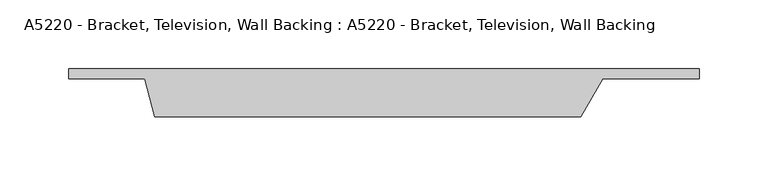
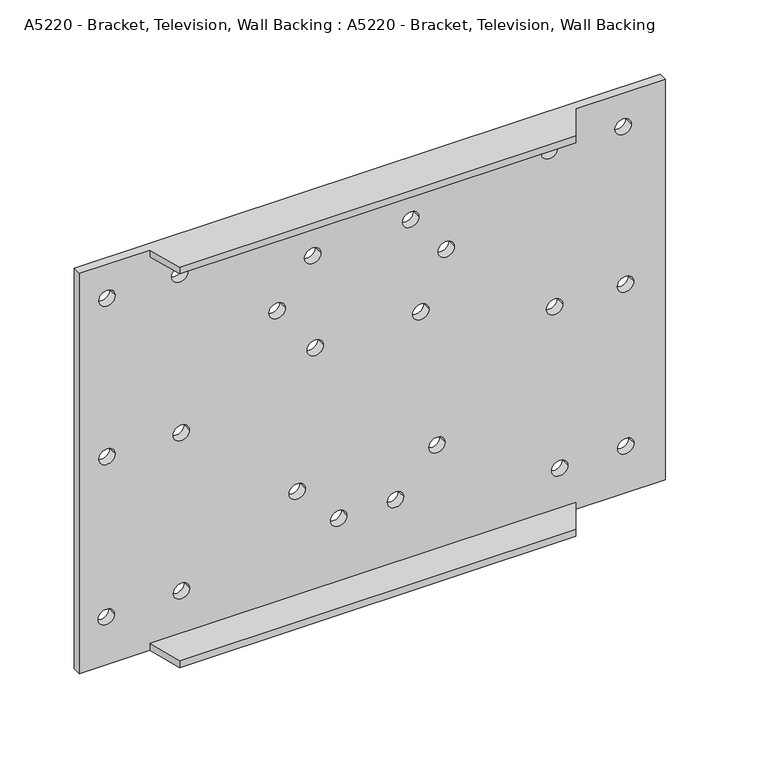
"""IFC4 building model written with IfcOpenShell, lengths in millimetres: proxy geometry, A5220 - Bracket, Television, Wall Backing : A5220 - Bracket, Television, Wall Backing."""

from ifc_helpers import new_model, si_unit, frame, origin, place, context, project, spatial, polyline, circle_curve, source, transform, mapped, element, save
from ifc_brep_helpers import plane_surface, revolved_surface, advanced_brep


def a5220_bracket_television_wall_backing_a5220_bracket_9e32a365(model_context):
    return source(origin(), model_context, "Body", "AdvancedBrep", [
        advanced_brep(
        [(228.6, 12.7, 330.2), (-228.6, 12.7, 330.2), (-228.6, 5.5485585, 330.2), (-173.6756868, 5.5485585, 330.2), (-166.3080736, -21.9477481, 330.2), (142.875, -21.9477481, 330.2), (158.75, 5.5485585, 330.2), (228.6, 5.5485585, 330.2), (-228.6, 12.7, 0.0), (228.6, 12.7, 0.0), (228.6, 5.5485585, 0.0), (158.75, 5.5485585, 0.0), (142.875, -21.9477481, 0.0), (-166.3080736, -21.9477481, 0.0), (-173.6756868, 5.5485585, 0.0), (-228.6, 5.5485585, 0.0), (-213.3355963, 12.7, 302.1911266), (-200.6355963, 12.7, 302.1911266), (-156.5770582, 12.7, 302.0248022), (-143.8770582, 12.7, 302.0248022), (-213.3355963, 12.7, 171.5144924), (-200.6355963, 12.7, 171.5144924), (-155.3549178, 12.7, 170.8545094), (-142.6549178, 12.7, 170.8545094), (-213.9955793, 12.7, 39.5178922), (-201.2955793, 12.7, 39.5178922), (-155.2570922, 12.7, 40.4220341), (-142.5570922, 12.7, 40.4220341), (-80.679013, 12.7, 245.4325885), (-67.979013, 12.7, 245.4325885), (-52.959727, 12.7, 281.0716706), (-40.259727, 12.7, 281.0716706), (-50.979778, 12.7, 204.5136425), (-38.279778, 12.7, 204.5136425), (23.5983011, 12.7, 284.1073683), (36.2983011, 12.7, 284.1073683), (51.3175872, 12.7, 249.9264032), (64.0175872, 12.7, 249.9264032), (31.5180972, 12.7, 205.1736255), (44.2180972, 12.7, 205.1736255), (44.0577742, 12.7, 90.9965663), (56.7577742, 12.7, 90.9965663), (11.7186071, 12.7, 57.3374332), (24.4186071, 12.7, 57.3374332), (-32.500254, 12.7, 57.3374332), (-19.800254, 12.7, 57.3374332), (-64.999744, 12.7, 90.8545562), (-52.299744, 12.7, 90.8545562), (139.7553093, 12.7, 38.4729292), (152.4553093, 12.7, 38.4729292), (191.3943064, 12.7, 38.5706497), (204.0943064, 12.7, 38.5706497), (191.1444764, 12.7, 172.1744754), (203.8444764, 12.7, 172.1744754), (135.7954113, 12.7, 172.8344584), (148.4954113, 12.7, 172.8344584), (189.2540344, 12.7, 302.606619), (201.9540344, 12.7, 302.606619), (131.8355133, 12.7, 302.8511096), (144.5355133, 12.7, 302.8511096), (-173.6756868, 5.5485585, 5.7859487), (158.75, 5.5485585, 5.7859487), (158.75, 5.5485585, 324.6987888), (-173.6756868, 5.5485585, 324.6987888), (-200.6355963, 5.5485585, 302.1911266), (-213.3355963, 5.5485585, 302.1911266), (-143.8770582, 5.5485585, 302.0248022), (-156.5770582, 5.5485585, 302.0248022), (-200.6355963, 5.5485585, 171.5144924), (-213.3355963, 5.5485585, 171.5144924), (-142.6549178, 5.5485585, 170.8545094), (-155.3549178, 5.5485585, 170.8545094), (-201.2955793, 5.5485585, 39.5178922), (-213.9955793, 5.5485585, 39.5178922), (-142.5570922, 5.5485585, 40.4220341), (-155.2570922, 5.5485585, 40.4220341), (-67.979013, 5.5485585, 245.4325885), (-80.679013, 5.5485585, 245.4325885), (-40.259727, 5.5485585, 281.0716706), (-52.959727, 5.5485585, 281.0716706), (-38.279778, 5.5485585, 204.5136425), (-50.979778, 5.5485585, 204.5136425), (36.2983011, 5.5485585, 284.1073683), (23.5983011, 5.5485585, 284.1073683), (64.0175872, 5.5485585, 249.9264032), (51.3175872, 5.5485585, 249.9264032), (44.2180972, 5.5485585, 205.1736255), (31.5180972, 5.5485585, 205.1736255), (56.7577742, 5.5485585, 90.9965663), (44.0577742, 5.5485585, 90.9965663), (24.4186071, 5.5485585, 57.3374332), (11.7186071, 5.5485585, 57.3374332), (-19.800254, 5.5485585, 57.3374332), (-32.500254, 5.5485585, 57.3374332), (-52.299744, 5.5485585, 90.8545562), (-64.999744, 5.5485585, 90.8545562), (152.4553093, 5.5485585, 38.4729292), (139.7553093, 5.5485585, 38.4729292), (204.0943064, 5.5485585, 38.5706497), (191.3943064, 5.5485585, 38.5706497), (203.8444764, 5.5485585, 172.1744754), (191.1444764, 5.5485585, 172.1744754), (148.4954113, 5.5485585, 172.8344584), (135.7954113, 5.5485585, 172.8344584), (201.9540344, 5.5485585, 302.606619), (189.2540344, 5.5485585, 302.606619), (144.5355133, 5.5485585, 302.8511096), (131.8355133, 5.5485585, 302.8511096), (142.875, -21.9477481, 324.6987888), (-166.3080736, -21.9477481, 324.6987888), (142.875, -21.9477481, 5.7859487), (-166.3080736, -21.9477481, 5.7859487)],
        [
            (0, 1),
            (1, 2),
            (2, 3),
            (3, 4),
            (4, 5),
            (5, 6),
            (6, 7),
            (7, 0),
            (8, 9),
            (9, 10),
            (10, 11),
            (11, 12),
            (12, 13),
            (13, 14),
            (14, 15),
            (15, 8),
            (1, 8),
            (15, 2),
            (9, 0),
            (7, 10),
            (16, 17, circle_curve(frame((-206.9855963, 12.7, 302.1911266), z_axis=(0.0, -1.0, 0.0), x_axis=(1.0, 0.0, 0.0)), 6.35)),
            (17, 16, circle_curve(frame((-206.9855963, 12.7, 302.1911266), z_axis=(0.0, -1.0, 0.0), x_axis=(1.0, 0.0, 0.0)), 6.35)),
            (18, 19, circle_curve(frame((-150.2270582, 12.7, 302.0248022), z_axis=(0.0, -1.0, 0.0), x_axis=(1.0, 0.0, 0.0)), 6.35)),
            (19, 18, circle_curve(frame((-150.2270582, 12.7, 302.0248022), z_axis=(0.0, -1.0, 0.0), x_axis=(1.0, 0.0, 0.0)), 6.35)),
            (20, 21, circle_curve(frame((-206.9855963, 12.7, 171.5144924), z_axis=(0.0, -1.0, 0.0), x_axis=(1.0, 0.0, 0.0)), 6.35)),
            (21, 20, circle_curve(frame((-206.9855963, 12.7, 171.5144924), z_axis=(0.0, -1.0, 0.0), x_axis=(1.0, 0.0, 0.0)), 6.35)),
            (22, 23, circle_curve(frame((-149.0049178, 12.7, 170.8545094), z_axis=(0.0, -1.0, 0.0), x_axis=(1.0, 0.0, 0.0)), 6.35)),
            (23, 22, circle_curve(frame((-149.0049178, 12.7, 170.8545094), z_axis=(0.0, -1.0, 0.0), x_axis=(1.0, 0.0, 0.0)), 6.35)),
            (24, 25, circle_curve(frame((-207.6455793, 12.7, 39.5178922), z_axis=(0.0, -1.0, 0.0), x_axis=(1.0, 0.0, 0.0)), 6.35)),
            (25, 24, circle_curve(frame((-207.6455793, 12.7, 39.5178922), z_axis=(0.0, -1.0, 0.0), x_axis=(1.0, 0.0, 0.0)), 6.35)),
            (26, 27, circle_curve(frame((-148.9070922, 12.7, 40.4220341), z_axis=(0.0, -1.0, 0.0), x_axis=(1.0, 0.0, 0.0)), 6.35)),
            (27, 26, circle_curve(frame((-148.9070922, 12.7, 40.4220341), z_axis=(0.0, -1.0, 0.0), x_axis=(1.0, 0.0, 0.0)), 6.35)),
            (28, 29, circle_curve(frame((-74.329013, 12.7, 245.4325885), z_axis=(0.0, -1.0, 0.0), x_axis=(1.0, 0.0, 0.0)), 6.35)),
            (29, 28, circle_curve(frame((-74.329013, 12.7, 245.4325885), z_axis=(0.0, -1.0, 0.0), x_axis=(1.0, 0.0, 0.0)), 6.35)),
            (30, 31, circle_curve(frame((-46.609727, 12.7, 281.0716706), z_axis=(0.0, -1.0, 0.0), x_axis=(1.0, 0.0, 0.0)), 6.35)),
            (31, 30, circle_curve(frame((-46.609727, 12.7, 281.0716706), z_axis=(0.0, -1.0, 0.0), x_axis=(1.0, 0.0, 0.0)), 6.35)),
            (32, 33, circle_curve(frame((-44.629778, 12.7, 204.5136425), z_axis=(0.0, -1.0, 0.0), x_axis=(1.0, 0.0, 0.0)), 6.35)),
            (33, 32, circle_curve(frame((-44.629778, 12.7, 204.5136425), z_axis=(0.0, -1.0, 0.0), x_axis=(1.0, 0.0, 0.0)), 6.35)),
            (34, 35, circle_curve(frame((29.9483011, 12.7, 284.1073683), z_axis=(0.0, -1.0, 0.0), x_axis=(1.0, 0.0, 0.0)), 6.35)),
            (35, 34, circle_curve(frame((29.9483011, 12.7, 284.1073683), z_axis=(0.0, -1.0, 0.0), x_axis=(1.0, 0.0, 0.0)), 6.35)),
            (36, 37, circle_curve(frame((57.6675872, 12.7, 249.9264032), z_axis=(0.0, -1.0, 0.0), x_axis=(1.0, 0.0, 0.0)), 6.35)),
            (37, 36, circle_curve(frame((57.6675872, 12.7, 249.9264032), z_axis=(0.0, -1.0, 0.0), x_axis=(1.0, 0.0, 0.0)), 6.35)),
            (38, 39, circle_curve(frame((37.8680972, 12.7, 205.1736255), z_axis=(0.0, -1.0, 0.0), x_axis=(1.0, 0.0, 0.0)), 6.35)),
            (39, 38, circle_curve(frame((37.8680972, 12.7, 205.1736255), z_axis=(0.0, -1.0, 0.0), x_axis=(1.0, 0.0, 0.0)), 6.35)),
            (40, 41, circle_curve(frame((50.4077742, 12.7, 90.9965663), z_axis=(0.0, -1.0, 0.0), x_axis=(1.0, 0.0, 0.0)), 6.35)),
            (41, 40, circle_curve(frame((50.4077742, 12.7, 90.9965663), z_axis=(0.0, -1.0, 0.0), x_axis=(1.0, 0.0, 0.0)), 6.35)),
            (42, 43, circle_curve(frame((18.0686071, 12.7, 57.3374332), z_axis=(0.0, -1.0, 0.0), x_axis=(1.0, 0.0, 0.0)), 6.35)),
            (43, 42, circle_curve(frame((18.0686071, 12.7, 57.3374332), z_axis=(0.0, -1.0, 0.0), x_axis=(1.0, 0.0, 0.0)), 6.35)),
            (44, 45, circle_curve(frame((-26.150254, 12.7, 57.3374332), z_axis=(0.0, -1.0, 0.0), x_axis=(1.0, 0.0, 0.0)), 6.35)),
            (45, 44, circle_curve(frame((-26.150254, 12.7, 57.3374332), z_axis=(0.0, -1.0, 0.0), x_axis=(1.0, 0.0, 0.0)), 6.35)),
            (46, 47, circle_curve(frame((-58.649744, 12.7, 90.8545562), z_axis=(0.0, -1.0, 0.0), x_axis=(1.0, 0.0, 0.0)), 6.35)),
            (47, 46, circle_curve(frame((-58.649744, 12.7, 90.8545562), z_axis=(0.0, -1.0, 0.0), x_axis=(1.0, 0.0, 0.0)), 6.35)),
            (48, 49, circle_curve(frame((146.1053093, 12.7, 38.4729292), z_axis=(0.0, -1.0, 0.0), x_axis=(1.0, 0.0, 0.0)), 6.35)),
            (49, 48, circle_curve(frame((146.1053093, 12.7, 38.4729292), z_axis=(0.0, -1.0, 0.0), x_axis=(1.0, 0.0, 0.0)), 6.35)),
            (50, 51, circle_curve(frame((197.7443064, 12.7, 38.5706497), z_axis=(0.0, -1.0, 0.0), x_axis=(1.0, 0.0, 0.0)), 6.35)),
            (51, 50, circle_curve(frame((197.7443064, 12.7, 38.5706497), z_axis=(0.0, -1.0, 0.0), x_axis=(1.0, 0.0, 0.0)), 6.35)),
            (52, 53, circle_curve(frame((197.4944764, 12.7, 172.1744754), z_axis=(0.0, -1.0, 0.0), x_axis=(1.0, 0.0, 0.0)), 6.35)),
            (53, 52, circle_curve(frame((197.4944764, 12.7, 172.1744754), z_axis=(0.0, -1.0, 0.0), x_axis=(1.0, 0.0, 0.0)), 6.35)),
            (54, 55, circle_curve(frame((142.1454113, 12.7, 172.8344584), z_axis=(0.0, -1.0, 0.0), x_axis=(1.0, 0.0, 0.0)), 6.35)),
            (55, 54, circle_curve(frame((142.1454113, 12.7, 172.8344584), z_axis=(0.0, -1.0, 0.0), x_axis=(1.0, 0.0, 0.0)), 6.35)),
            (56, 57, circle_curve(frame((195.6040344, 12.7, 302.606619), z_axis=(0.0, -1.0, 0.0), x_axis=(1.0, 0.0, 0.0)), 6.35)),
            (57, 56, circle_curve(frame((195.6040344, 12.7, 302.606619), z_axis=(0.0, -1.0, 0.0), x_axis=(1.0, 0.0, 0.0)), 6.35)),
            (58, 59, circle_curve(frame((138.1855133, 12.7, 302.8511096), z_axis=(0.0, -1.0, 0.0), x_axis=(1.0, 0.0, 0.0)), 6.35)),
            (59, 58, circle_curve(frame((138.1855133, 12.7, 302.8511096), z_axis=(0.0, -1.0, 0.0), x_axis=(1.0, 0.0, 0.0)), 6.35)),
            (14, 60),
            (60, 61),
            (61, 11),
            (6, 62),
            (62, 63),
            (63, 3),
            (64, 65, circle_curve(frame((-206.9855963, 5.5485585, 302.1911266), z_axis=(0.0, 1.0, 0.0), x_axis=(1.0, 0.0, 0.0)), 6.35)),
            (65, 64, circle_curve(frame((-206.9855963, 5.5485585, 302.1911266), z_axis=(0.0, 1.0, 0.0), x_axis=(1.0, 0.0, 0.0)), 6.35)),
            (66, 67, circle_curve(frame((-150.2270582, 5.5485585, 302.0248022), z_axis=(0.0, 1.0, 0.0), x_axis=(1.0, 0.0, 0.0)), 6.35)),
            (67, 66, circle_curve(frame((-150.2270582, 5.5485585, 302.0248022), z_axis=(0.0, 1.0, 0.0), x_axis=(1.0, 0.0, 0.0)), 6.35)),
            (68, 69, circle_curve(frame((-206.9855963, 5.5485585, 171.5144924), z_axis=(0.0, 1.0, 0.0), x_axis=(1.0, 0.0, 0.0)), 6.35)),
            (69, 68, circle_curve(frame((-206.9855963, 5.5485585, 171.5144924), z_axis=(0.0, 1.0, 0.0), x_axis=(1.0, 0.0, 0.0)), 6.35)),
            (70, 71, circle_curve(frame((-149.0049178, 5.5485585, 170.8545094), z_axis=(0.0, 1.0, 0.0), x_axis=(1.0, 0.0, 0.0)), 6.35)),
            (71, 70, circle_curve(frame((-149.0049178, 5.5485585, 170.8545094), z_axis=(0.0, 1.0, 0.0), x_axis=(1.0, 0.0, 0.0)), 6.35)),
            (72, 73, circle_curve(frame((-207.6455793, 5.5485585, 39.5178922), z_axis=(0.0, 1.0, 0.0), x_axis=(1.0, 0.0, 0.0)), 6.35)),
            (73, 72, circle_curve(frame((-207.6455793, 5.5485585, 39.5178922), z_axis=(0.0, 1.0, 0.0), x_axis=(1.0, 0.0, 0.0)), 6.35)),
            (74, 75, circle_curve(frame((-148.9070922, 5.5485585, 40.4220341), z_axis=(0.0, 1.0, 0.0), x_axis=(1.0, 0.0, 0.0)), 6.35)),
            (75, 74, circle_curve(frame((-148.9070922, 5.5485585, 40.4220341), z_axis=(0.0, 1.0, 0.0), x_axis=(1.0, 0.0, 0.0)), 6.35)),
            (76, 77, circle_curve(frame((-74.329013, 5.5485585, 245.4325885), z_axis=(0.0, 1.0, 0.0), x_axis=(1.0, 0.0, 0.0)), 6.35)),
            (77, 76, circle_curve(frame((-74.329013, 5.5485585, 245.4325885), z_axis=(0.0, 1.0, 0.0), x_axis=(1.0, 0.0, 0.0)), 6.35)),
            (78, 79, circle_curve(frame((-46.609727, 5.5485585, 281.0716706), z_axis=(0.0, 1.0, 0.0), x_axis=(1.0, 0.0, 0.0)), 6.35)),
            (79, 78, circle_curve(frame((-46.609727, 5.5485585, 281.0716706), z_axis=(0.0, 1.0, 0.0), x_axis=(1.0, 0.0, 0.0)), 6.35)),
            (80, 81, circle_curve(frame((-44.629778, 5.5485585, 204.5136425), z_axis=(0.0, 1.0, 0.0), x_axis=(1.0, 0.0, 0.0)), 6.35)),
            (81, 80, circle_curve(frame((-44.629778, 5.5485585, 204.5136425), z_axis=(0.0, 1.0, 0.0), x_axis=(1.0, 0.0, 0.0)), 6.35)),
            (82, 83, circle_curve(frame((29.9483011, 5.5485585, 284.1073683), z_axis=(0.0, 1.0, 0.0), x_axis=(1.0, 0.0, 0.0)), 6.35)),
            (83, 82, circle_curve(frame((29.9483011, 5.5485585, 284.1073683), z_axis=(0.0, 1.0, 0.0), x_axis=(1.0, 0.0, 0.0)), 6.35)),
            (84, 85, circle_curve(frame((57.6675872, 5.5485585, 249.9264032), z_axis=(0.0, 1.0, 0.0), x_axis=(1.0, 0.0, 0.0)), 6.35)),
            (85, 84, circle_curve(frame((57.6675872, 5.5485585, 249.9264032), z_axis=(0.0, 1.0, 0.0), x_axis=(1.0, 0.0, 0.0)), 6.35)),
            (86, 87, circle_curve(frame((37.8680972, 5.5485585, 205.1736255), z_axis=(0.0, 1.0, 0.0), x_axis=(1.0, 0.0, 0.0)), 6.35)),
            (87, 86, circle_curve(frame((37.8680972, 5.5485585, 205.1736255), z_axis=(0.0, 1.0, 0.0), x_axis=(1.0, 0.0, 0.0)), 6.35)),
            (88, 89, circle_curve(frame((50.4077742, 5.5485585, 90.9965663), z_axis=(0.0, 1.0, 0.0), x_axis=(1.0, 0.0, 0.0)), 6.35)),
            (89, 88, circle_curve(frame((50.4077742, 5.5485585, 90.9965663), z_axis=(0.0, 1.0, 0.0), x_axis=(1.0, 0.0, 0.0)), 6.35)),
            (90, 91, circle_curve(frame((18.0686071, 5.5485585, 57.3374332), z_axis=(0.0, 1.0, 0.0), x_axis=(1.0, 0.0, 0.0)), 6.35)),
            (91, 90, circle_curve(frame((18.0686071, 5.5485585, 57.3374332), z_axis=(0.0, 1.0, 0.0), x_axis=(1.0, 0.0, 0.0)), 6.35)),
            (92, 93, circle_curve(frame((-26.150254, 5.5485585, 57.3374332), z_axis=(0.0, 1.0, 0.0), x_axis=(1.0, 0.0, 0.0)), 6.35)),
            (93, 92, circle_curve(frame((-26.150254, 5.5485585, 57.3374332), z_axis=(0.0, 1.0, 0.0), x_axis=(1.0, 0.0, 0.0)), 6.35)),
            (94, 95, circle_curve(frame((-58.649744, 5.5485585, 90.8545562), z_axis=(0.0, 1.0, 0.0), x_axis=(1.0, 0.0, 0.0)), 6.35)),
            (95, 94, circle_curve(frame((-58.649744, 5.5485585, 90.8545562), z_axis=(0.0, 1.0, 0.0), x_axis=(1.0, 0.0, 0.0)), 6.35)),
            (96, 97, circle_curve(frame((146.1053093, 5.5485585, 38.4729292), z_axis=(0.0, 1.0, 0.0), x_axis=(1.0, 0.0, 0.0)), 6.35)),
            (97, 96, circle_curve(frame((146.1053093, 5.5485585, 38.4729292), z_axis=(0.0, 1.0, 0.0), x_axis=(1.0, 0.0, 0.0)), 6.35)),
            (98, 99, circle_curve(frame((197.7443064, 5.5485585, 38.5706497), z_axis=(0.0, 1.0, 0.0), x_axis=(1.0, 0.0, 0.0)), 6.35)),
            (99, 98, circle_curve(frame((197.7443064, 5.5485585, 38.5706497), z_axis=(0.0, 1.0, 0.0), x_axis=(1.0, 0.0, 0.0)), 6.35)),
            (100, 101, circle_curve(frame((197.4944764, 5.5485585, 172.1744754), z_axis=(0.0, 1.0, 0.0), x_axis=(1.0, 0.0, 0.0)), 6.35)),
            (101, 100, circle_curve(frame((197.4944764, 5.5485585, 172.1744754), z_axis=(0.0, 1.0, 0.0), x_axis=(1.0, 0.0, 0.0)), 6.35)),
            (102, 103, circle_curve(frame((142.1454113, 5.5485585, 172.8344584), z_axis=(0.0, 1.0, 0.0), x_axis=(1.0, 0.0, 0.0)), 6.35)),
            (103, 102, circle_curve(frame((142.1454113, 5.5485585, 172.8344584), z_axis=(0.0, 1.0, 0.0), x_axis=(1.0, 0.0, 0.0)), 6.35)),
            (104, 105, circle_curve(frame((195.6040344, 5.5485585, 302.606619), z_axis=(0.0, 1.0, 0.0), x_axis=(1.0, 0.0, 0.0)), 6.35)),
            (105, 104, circle_curve(frame((195.6040344, 5.5485585, 302.606619), z_axis=(0.0, 1.0, 0.0), x_axis=(1.0, 0.0, 0.0)), 6.35)),
            (106, 107, circle_curve(frame((138.1855133, 5.5485585, 302.8511096), z_axis=(0.0, 1.0, 0.0), x_axis=(1.0, 0.0, 0.0)), 6.35)),
            (107, 106, circle_curve(frame((138.1855133, 5.5485585, 302.8511096), z_axis=(0.0, 1.0, 0.0), x_axis=(1.0, 0.0, 0.0)), 6.35)),
            (16, 65),
            (64, 17),
            (18, 67),
            (66, 19),
            (20, 69),
            (68, 21),
            (22, 71),
            (70, 23),
            (24, 73),
            (72, 25),
            (26, 75),
            (74, 27),
            (28, 77),
            (76, 29),
            (30, 79),
            (78, 31),
            (32, 81),
            (80, 33),
            (34, 83),
            (82, 35),
            (36, 85),
            (84, 37),
            (38, 87),
            (86, 39),
            (40, 89),
            (88, 41),
            (42, 91),
            (90, 43),
            (44, 93),
            (92, 45),
            (46, 95),
            (94, 47),
            (48, 97),
            (96, 49),
            (50, 99),
            (98, 51),
            (52, 101),
            (100, 53),
            (54, 103),
            (102, 55),
            (56, 105),
            (104, 57),
            (58, 107),
            (106, 59),
            (108, 109),
            (109, 63),
            (62, 108),
            (5, 108),
            (109, 4),
            (110, 61),
            (60, 111),
            (111, 110),
            (110, 12),
            (13, 111),
        ],
        [
            plane_surface(frame((-228.6, 0.0, 330.2), z_axis=(0.0, 0.0, 1.0), x_axis=(0.0, -1.0, 0.0))),
            plane_surface(frame((-228.6, 0.0, 0.0), z_axis=(0.0, 0.0, -1.0), x_axis=(0.0, 1.0, 0.0))),
            plane_surface(frame((-228.6, 12.7, 330.2), z_axis=(-1.0, 0.0, 0.0), x_axis=(0.0, 0.0, -1.0))),
            plane_surface(frame((228.6, -12.7, 330.2), z_axis=(1.0, 0.0, 0.0), x_axis=(0.0, 0.0, -1.0))),
            plane_surface(frame((228.6, 12.7, 330.2), z_axis=(0.0, 1.0, 0.0), x_axis=(0.0, 0.0, -1.0))),
            plane_surface(frame((-228.6, 5.5485585, 330.2), z_axis=(0.0, -1.0, 0.0), x_axis=(1.0, 0.0, 0.0))),
            revolved_surface(polyline([(-200.6355963, 5.548558500000013, 302.1911266), (-200.6355963, 12.699999999999989, 302.1911266)]), (-206.9855963, 174.6255709, 302.1911266), (0.0, -1.0, 0.0)),
            revolved_surface(polyline([(-143.8770582, 5.5485585, 302.0248022), (-143.8770582, 12.7, 302.0248022)]), (-150.2270582, 0.0, 302.0248022), (0.0, -1.0, 0.0)),
            revolved_surface(polyline([(-200.6355963, 5.5485585, 171.5144924), (-200.6355963, 12.7, 171.5144924)]), (-206.9855963, 0.0, 171.5144924), (0.0, -1.0, 0.0)),
            revolved_surface(polyline([(-142.6549178, 5.5485585, 170.8545094), (-142.6549178, 12.7, 170.8545094)]), (-149.0049178, 0.0, 170.8545094), (0.0, -1.0, 0.0)),
            revolved_surface(polyline([(-201.2955793, 5.5485585, 39.5178922), (-201.2955793, 12.7, 39.5178922)]), (-207.6455793, 0.0, 39.5178922), (0.0, -1.0, 0.0)),
            revolved_surface(polyline([(-142.5570922, 5.5485585, 40.4220341), (-142.5570922, 12.7, 40.4220341)]), (-148.9070922, 0.0, 40.4220341), (0.0, -1.0, 0.0)),
            revolved_surface(polyline([(-67.97901300000001, 5.5485585, 245.4325885), (-67.97901300000001, 12.7, 245.4325885)]), (-74.329013, 0.0, 245.4325885), (0.0, -1.0, 0.0)),
            revolved_surface(polyline([(-40.259727, 5.5485585, 281.0716706), (-40.259727, 12.7, 281.0716706)]), (-46.609727, 0.0, 281.0716706), (0.0, -1.0, 0.0)),
            revolved_surface(polyline([(-38.279778, 5.5485585, 204.5136425), (-38.279778, 12.7, 204.5136425)]), (-44.629778, 0.0, 204.5136425), (0.0, -1.0, 0.0)),
            revolved_surface(polyline([(36.298301099999996, 5.5485585, 284.1073683), (36.298301099999996, 12.7, 284.1073683)]), (29.9483011, 0.0, 284.1073683), (0.0, -1.0, 0.0)),
            revolved_surface(polyline([(64.0175872, 5.5485585, 249.9264032), (64.0175872, 12.7, 249.9264032)]), (57.6675872, 0.0, 249.9264032), (0.0, -1.0, 0.0)),
            revolved_surface(polyline([(44.2180972, 5.5485585, 205.1736255), (44.2180972, 12.7, 205.1736255)]), (37.8680972, 0.0, 205.1736255), (0.0, -1.0, 0.0)),
            revolved_surface(polyline([(56.7577742, 5.5485585, 90.9965663), (56.7577742, 12.7, 90.9965663)]), (50.4077742, 0.0, 90.9965663), (0.0, -1.0, 0.0)),
            revolved_surface(polyline([(24.418607100000003, 5.5485585, 57.3374332), (24.418607100000003, 12.7, 57.3374332)]), (18.0686071, 0.0, 57.3374332), (0.0, -1.0, 0.0)),
            revolved_surface(polyline([(-19.800254000000002, 5.5485585, 57.3374332), (-19.800254000000002, 12.7, 57.3374332)]), (-26.150254, 0.0, 57.3374332), (0.0, -1.0, 0.0)),
            revolved_surface(polyline([(-52.299744, 5.5485585, 90.8545562), (-52.299744, 12.7, 90.8545562)]), (-58.649744, 0.0, 90.8545562), (0.0, -1.0, 0.0)),
            revolved_surface(polyline([(152.45530929999998, 5.5485585, 38.4729292), (152.45530929999998, 12.7, 38.4729292)]), (146.1053093, 0.0, 38.4729292), (0.0, -1.0, 0.0)),
            revolved_surface(polyline([(204.0943064, 5.5485585, 38.5706497), (204.0943064, 12.7, 38.5706497)]), (197.7443064, 0.0, 38.5706497), (0.0, -1.0, 0.0)),
            revolved_surface(polyline([(203.8444764, 5.5485585, 172.1744754), (203.8444764, 12.7, 172.1744754)]), (197.4944764, 0.0, 172.1744754), (0.0, -1.0, 0.0)),
            revolved_surface(polyline([(148.4954113, 5.5485585, 172.8344584), (148.4954113, 12.7, 172.8344584)]), (142.1454113, 0.0, 172.8344584), (0.0, -1.0, 0.0)),
            revolved_surface(polyline([(201.95403439999998, 5.5485585, 302.606619), (201.95403439999998, 12.7, 302.606619)]), (195.6040344, 0.0, 302.606619), (0.0, -1.0, 0.0)),
            revolved_surface(polyline([(144.5355133, 5.5485585, 302.8511096), (144.5355133, 12.7, 302.8511096)]), (138.1855133, 0.0, 302.8511096), (0.0, -1.0, 0.0)),
            plane_surface(frame((158.75, 5.5485585, 324.6987888), z_axis=(0.0, 0.0, -1.0), x_axis=(-0.5000000000000011, -0.866025403784438, 0.0))),
            plane_surface(frame((142.875, -21.9477481, 330.2), z_axis=(0.866025403784438, -0.5000000000000011, 0.0), x_axis=(0.0, 0.0, -1.0))),
            plane_surface(frame((-173.6756868, 5.5485585, 330.2), z_axis=(-0.9659258262890689, -0.25881904510251863, 0.0), x_axis=(0.0, 0.0, -1.0))),
            plane_surface(frame((-166.3080736, -21.9477481, 330.2), z_axis=(0.0, -1.0, 0.0), x_axis=(0.0, 0.0, -1.0))),
            plane_surface(frame((158.75, 5.5485585, 5.7859487), z_axis=(0.0, 0.0, 1.0), x_axis=(0.5000000000000011, 0.866025403784438, 0.0))),
            plane_surface(frame((142.875, -21.9477481, 5.7859487), z_axis=(0.866025403784438, -0.5000000000000011, 0.0), x_axis=(0.0, 0.0, -1.0))),
            plane_surface(frame((-173.6756868, 5.5485585, 5.7859487), z_axis=(-0.9659258262890689, -0.25881904510251863, 0.0), x_axis=(0.0, 0.0, -1.0))),
            plane_surface(frame((-166.3080736, -21.9477481, 5.7859487), z_axis=(0.0, -1.0, 0.0), x_axis=(0.0, 0.0, -1.0))),
        ],
        [
            (0, [[1, 2, 3, 4, 5, 6, 7, 8]]),
            (1, [[9, 10, 11, 12, 13, 14, 15, 16]]),
            (2, [[17, -16, 18, -2]]),
            (3, [[19, -8, 20, -10]]),
            (4, [[-1, -19, -9, -17], [21, 22], [23, 24], [25, 26], [27, 28], [29, 30], [31, 32], [33, 34], [35, 36], [37, 38], [39, 40], [41, 42], [43, 44], [45, 46], [47, 48], [49, 50], [51, 52], [53, 54], [55, 56], [57, 58], [59, 60], [61, 62], [63, 64]]),
            (5, [[-18, -15, 65, 66, 67, -11, -20, -7, 68, 69, 70, -3], [71, 72], [73, 74], [75, 76], [77, 78], [79, 80], [81, 82], [83, 84], [85, 86], [87, 88], [89, 90], [91, 92], [93, 94], [95, 96], [97, 98], [99, 100], [101, 102], [103, 104], [105, 106], [107, 108], [109, 110], [111, 112], [113, 114]]),
            (6, [[115, -71, 116, -21]]),
            (6, [[-115, -22, -116, -72]]),
            (7, [[117, -73, 118, -23]]),
            (7, [[-117, -24, -118, -74]]),
            (8, [[119, -75, 120, -25]]),
            (8, [[-119, -26, -120, -76]]),
            (9, [[121, -77, 122, -27]]),
            (9, [[-121, -28, -122, -78]]),
            (10, [[123, -79, 124, -29]]),
            (10, [[-123, -30, -124, -80]]),
            (11, [[125, -81, 126, -31]]),
            (11, [[-125, -32, -126, -82]]),
            (12, [[127, -83, 128, -33]]),
            (12, [[-127, -34, -128, -84]]),
            (13, [[129, -85, 130, -35]]),
            (13, [[-129, -36, -130, -86]]),
            (14, [[131, -87, 132, -37]]),
            (14, [[-131, -38, -132, -88]]),
            (15, [[133, -89, 134, -39]]),
            (15, [[-133, -40, -134, -90]]),
            (16, [[135, -91, 136, -41]]),
            (16, [[-135, -42, -136, -92]]),
            (17, [[137, -93, 138, -43]]),
            (17, [[-137, -44, -138, -94]]),
            (18, [[139, -95, 140, -45]]),
            (18, [[-139, -46, -140, -96]]),
            (19, [[141, -97, 142, -47]]),
            (19, [[-141, -48, -142, -98]]),
            (20, [[143, -99, 144, -49]]),
            (20, [[-143, -50, -144, -100]]),
            (21, [[145, -101, 146, -51]]),
            (21, [[-145, -52, -146, -102]]),
            (22, [[147, -103, 148, -53]]),
            (22, [[-147, -54, -148, -104]]),
            (23, [[149, -105, 150, -55]]),
            (23, [[-149, -56, -150, -106]]),
            (24, [[151, -107, 152, -57]]),
            (24, [[-151, -58, -152, -108]]),
            (25, [[153, -109, 154, -59]]),
            (25, [[-153, -60, -154, -110]]),
            (26, [[155, -111, 156, -61]]),
            (26, [[-155, -62, -156, -112]]),
            (27, [[157, -113, 158, -63]]),
            (27, [[-157, -64, -158, -114]]),
            (28, [[159, 160, -69, 161]]),
            (29, [[-6, 162, -161, -68]]),
            (30, [[-4, -70, -160, 163]]),
            (31, [[-5, -163, -159, -162]]),
            (32, [[164, -66, 165, 166]]),
            (33, [[-164, 167, -12, -67]]),
            (34, [[-165, -65, -14, 168]]),
            (35, [[-166, -168, -13, -167]]),
        ],
    ),
    ])


if __name__ == "__main__":
    model = new_model("IFC4")
    model_context = context("Model", 3, world=origin())
    ifc_project = project(units=[si_unit("LENGTHUNIT", "METRE", prefix="MILLI")], contexts=[model_context])
    site = spatial("IfcSite", under=ifc_project)
    building = spatial("IfcBuilding", under=site)
    placement = place(None, origin())
    a5220_bracket_television_wall_backing_a5220_bracket_shape = a5220_bracket_television_wall_backing_a5220_bracket_9e32a365(model_context)
    element("IfcBuildingElementProxy", 1, Name="A5220 - Bracket, Television, Wall Backing : A5220 - Bracket, Television, Wall Backing", ObjectType="A5220 - Bracket, Television, Wall Backing : A5220 - Bracket, Television, Wall Backing", at=placement, inside=building, context=model_context, shape_type="MappedRepresentation", body=[
        mapped(a5220_bracket_television_wall_backing_a5220_bracket_shape, transform((0.0, 0.0, 0.0), x_axis=(1.0, 0.0, 0.0), y_axis=(0.0, 1.0, 0.0), z_axis=(0.0, 0.0, 1.0))),
    ])
    save(model, "model.ifc")
